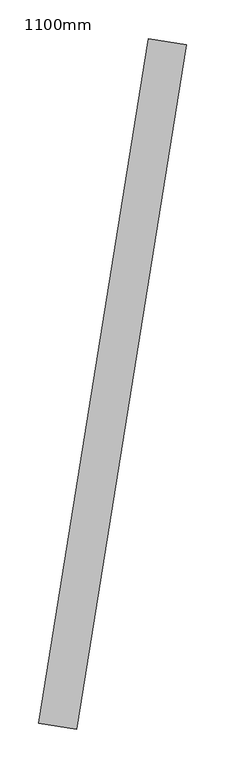
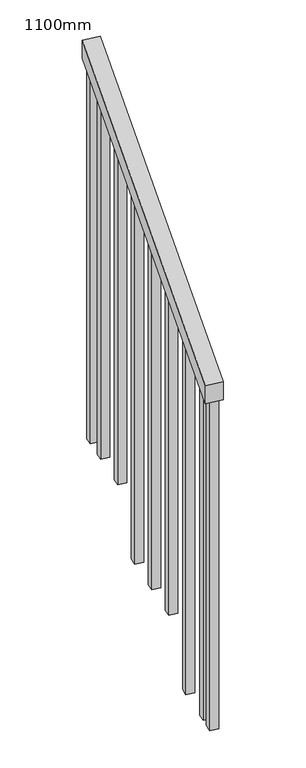
"""IFC4 building model written with IfcOpenShell, lengths in millimetres: railing geometry, 1100mm."""

from ifc_helpers import new_model, si_unit, frame, origin, place, context, project, spatial, polyline, outline, extrude, source, transform, mapped, element, save


def railing_1100mm_6999fe9f(model_context):
    return source(origin(), model_context, "Body", "SweptSolid", [
        extrude(outline(polyline([(28.3331189, -50.0), (0.0, 0.0), (1034.4623057, 1e-07), (1062.7954245, -49.9999999), (28.3331189, -50.0)])), frame((-257558.4814569, -29993.7131606, 1212.5303069), z_axis=(-0.9873044656456634, 0.1588392020759705, 0.0), x_axis=(0.1381938840216761, 0.8589783695479828, 0.4930097474367952)), (0.0, 0.0, 1.0), 50.0),
        extrude(outline(polyline([(1262.9323851, 25.0), (1262.9323851, 0.0), (92.9168965, 0.0), (107.0831036, 25.0), (1262.9323851, 25.0)])), frame((-257439.780421, -29177.2014864, 1772.9323851), z_axis=(-0.9873044656456634, 0.15883920207597052, 0.0), x_axis=(0.0, 0.0, -1.0)), (0.0, 0.0, 1.0), 25.0),
        extrude(outline(polyline([(1192.1013496, 25.0), (1192.1013496, 0.0), (92.9168965, 0.0), (107.0831036, 25.0), (1192.1013496, 25.0)])), frame((-257459.6353213, -29300.6145446, 1702.1013496), z_axis=(-0.9873044656456634, 0.15883920207597052, 0.0), x_axis=(0.0, 0.0, -1.0)), (0.0, 0.0, 1.0), 25.0),
        extrude(outline(polyline([(1291.2703141, 25.0), (1291.2703141, 0.0), (92.9168965, 0.0), (107.0831036, 25.0), (1291.2703141, 25.0)])), frame((-257479.4902215, -29424.0276028, 1631.2703141), z_axis=(-0.9873044656456634, 0.15883920207597052, 0.0), x_axis=(0.0, 0.0, -1.0)), (0.0, 0.0, 1.0), 25.0),
        extrude(outline(polyline([(1220.4392786, 25.0), (1220.4392786, 0.0), (92.9168965, 0.0), (107.0831036, 25.0), (1220.4392786, 25.0)])), frame((-257499.3451218, -29547.440661, 1560.4392786), z_axis=(-0.9873044656456634, 0.15883920207597052, 0.0), x_axis=(0.0, 0.0, -1.0)), (0.0, 0.0, 1.0), 25.0),
        extrude(outline(polyline([(1149.6137578, 25.0), (1149.6137578, 0.0), (92.9168964, 0.0), (107.0831035, 25.0), (1149.6137578, 25.0)])), frame((-257519.200022, -29670.8537192, 1489.6137578), z_axis=(-0.9873044656456634, 0.15883920207597052, 0.0), x_axis=(0.0, 0.0, -1.0)), (0.0, 0.0, 1.0), 25.0),
        extrude(outline(polyline([(1248.7772075, 25.0), (1248.7772075, 0.0), (92.9168964, 0.0), (107.0831035, 25.0), (1248.7772075, 25.0)])), frame((-257539.0549223, -29794.2667774, 1418.7772075), z_axis=(-0.9873044656456634, 0.15883920207597052, 0.0), x_axis=(0.0, 0.0, -1.0)), (0.0, 0.0, 1.0), 25.0),
        extrude(outline(polyline([(1177.946172, 25.0), (1177.946172, 0.0), (92.9168964, 0.0), (107.0831035, 25.0), (1177.946172, 25.0)])), frame((-257558.9098226, -29917.6798356, 1347.946172), z_axis=(-0.9873044656456634, 0.15883920207597052, 0.0), x_axis=(0.0, 0.0, -1.0)), (0.0, 0.0, 1.0), 25.0),
        extrude(outline(polyline([(1305.4475508, 25.0), (1305.4475508, 0.0), (92.9168965, 0.0), (107.0831036, 25.0), (1305.4475508, 25.0)])), frame((-257427.8663988, -29103.1469259, 1815.4475508), z_axis=(-0.9873044656456634, 0.15883920207597052, 0.0), x_axis=(0.0, 0.0, -1.0)), (0.0, 0.0, 1.0), 25.0),
        extrude(outline(polyline([(1149.6137578, 25.0), (1149.6137578, 0.0), (92.9168964, 0.0), (107.0831035, 25.0), (1149.6137578, 25.0)])), frame((-257566.8517827, -29967.0450589, 1319.6137578), z_axis=(-0.9873044656456634, 0.15883920207597052, 0.0), x_axis=(0.0, 0.0, -1.0)), (0.0, 0.0, 1.0), 25.0),
    ])


if __name__ == "__main__":
    model = new_model("IFC4")
    model_context = context("Model", 3, world=origin())
    ifc_project = project(units=[si_unit("LENGTHUNIT", "METRE", prefix="MILLI")], contexts=[model_context])
    site = spatial("IfcSite", under=ifc_project)
    building = spatial("IfcBuilding", under=site)
    placement = place(None, origin())
    railing_1100mm_shape = railing_1100mm_6999fe9f(model_context)
    element("IfcRailing", 1, ObjectType="1100mm", at=placement, inside=building, context=model_context, shape_type="MappedRepresentation", body=[
        mapped(railing_1100mm_shape, transform((0.0, 0.0, 0.0), x_axis=(1.0, 0.0, 0.0), y_axis=(0.0, 1.0, 0.0), z_axis=(0.0, 0.0, 1.0))),
    ])
    save(model, "model.ifc")
